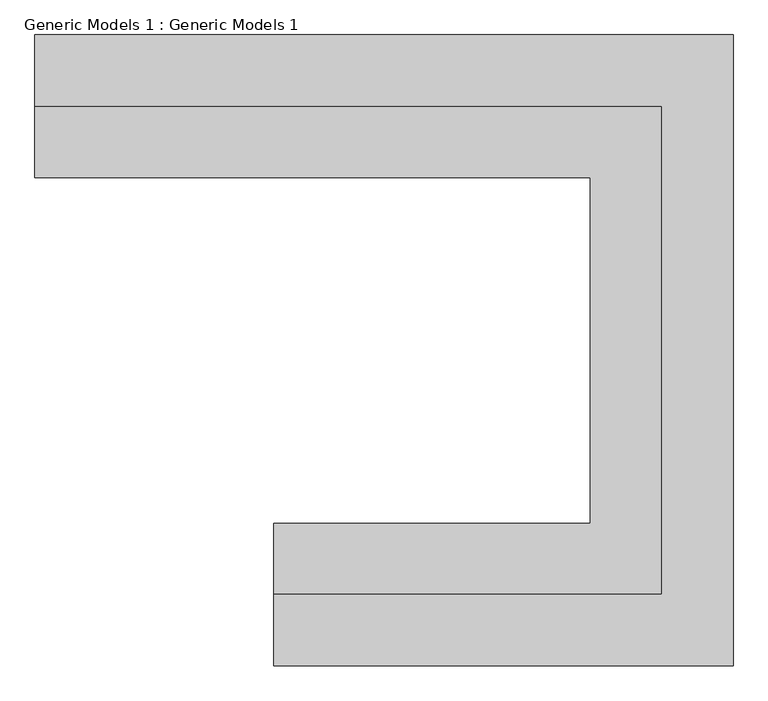
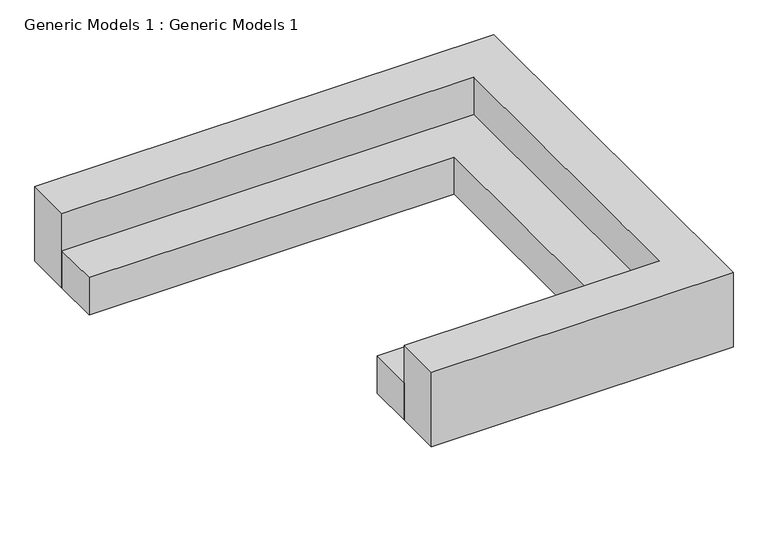
"""IFC4 building model written with IfcOpenShell, lengths in millimetres: proxy geometry, Generic Models 1 : Generic Models 1."""

from ifc_helpers import new_model, si_unit, origin, origin_with_axes, place, context, project, spatial, polyline, outline, extrude, source, transform, mapped, element, save


def generic_models_1_generic_models_1_17aa1226(model_context):
    return source(origin(), model_context, "Body", "SweptSolid", [
        extrude(outline(polyline([(461027.2504676, -276267.0488632), (458403.1258545, -276267.0488632), (458403.1258545, -275784.4488632), (460544.6504676, -275784.4488632), (460544.6504676, -273442.9205223), (456785.4504676, -273442.9205223), (456785.4504676, -272960.3205223), (461027.2504676, -272960.3205223), (461027.2504676, -276267.0488632)])), origin_with_axes(), (0.0, 0.0, 1.0), 406.4),
        extrude(outline(polyline([(461027.2504676, -272960.3205223), (456785.4504676, -272960.3205223), (456785.4504676, -272477.7205223), (461509.8504676, -272477.7205223), (461509.8504676, -276749.6488632), (458403.1258545, -276749.6488632), (458403.1258545, -276267.0488632), (461027.2504676, -276267.0488632), (461027.2504676, -272960.3205223)])), origin_with_axes(), (0.0, 0.0, 1.0), 812.8),
    ])


if __name__ == "__main__":
    model = new_model("IFC4")
    model_context = context("Model", 3, world=origin())
    ifc_project = project(units=[si_unit("LENGTHUNIT", "METRE", prefix="MILLI")], contexts=[model_context])
    site = spatial("IfcSite", under=ifc_project)
    building = spatial("IfcBuilding", under=site)
    placement = place(None, origin())
    generic_models_1_generic_models_1_shape = generic_models_1_generic_models_1_17aa1226(model_context)
    element("IfcBuildingElementProxy", 1, Name="Generic Models 1 : Generic Models 1", ObjectType="Generic Models 1 : Generic Models 1", at=placement, inside=building, context=model_context, shape_type="MappedRepresentation", body=[
        mapped(generic_models_1_generic_models_1_shape, transform((0.0, 0.0, 0.0), x_axis=(1.0, 0.0, 0.0), y_axis=(0.0, 1.0, 0.0), z_axis=(0.0, 0.0, 1.0))),
    ])
    save(model, "model.ifc")
